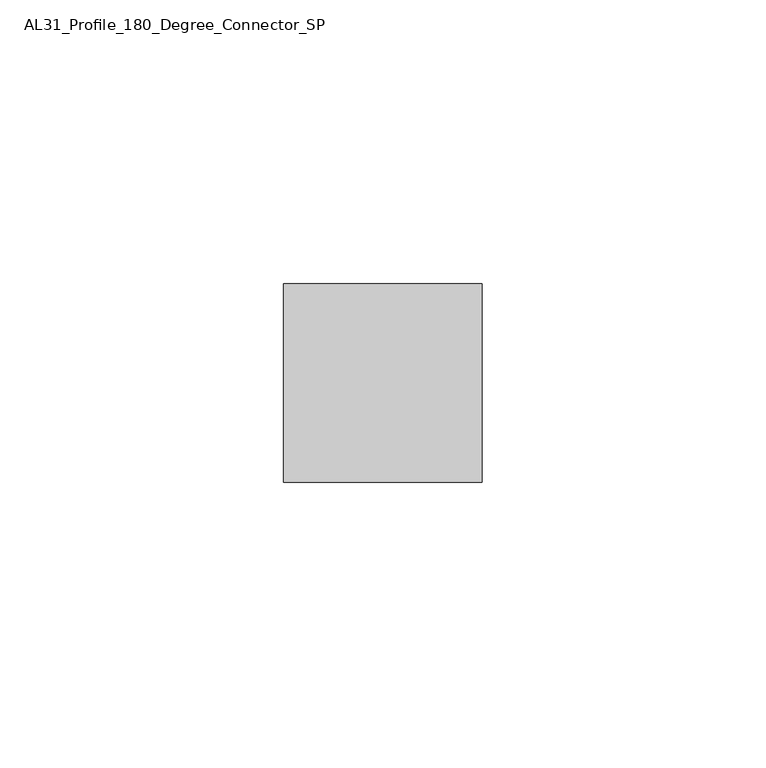
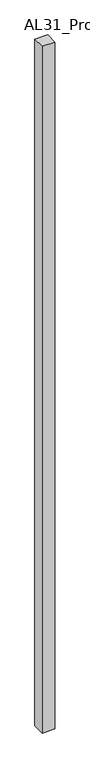
"""IFC4 building model written with IfcOpenShell, lengths in millimetres: member geometry, AL31_Profile_180_Degree_Connector_SP."""

from ifc_helpers import new_model, si_unit, frame, origin, place, context, project, spatial, polyline, outline, extrude, source, transform, mapped, element, save


def al31_profile_180_degree_connector_sp_ab3361bb(model_context):
    return source(origin(), model_context, "Body", "SweptSolid", [
        extrude(outline(polyline([(17.5, 17.509478), (17.5, -17.490522), (-17.5, -17.490522), (-17.5, 17.509478), (17.5, 17.509478)])), frame((0.0, 0.0, -2000.0), z_axis=(0.0, 0.0, 1.0), x_axis=(1.0, 0.0, 0.0)), (0.0, 0.0, 1.0), 2000.0),
    ])


if __name__ == "__main__":
    model = new_model("IFC4")
    model_context = context("Model", 3, world=origin())
    ifc_project = project(units=[si_unit("LENGTHUNIT", "METRE", prefix="MILLI")], contexts=[model_context])
    site = spatial("IfcSite", under=ifc_project)
    building = spatial("IfcBuilding", under=site)
    placement = place(None, origin())
    al31_profile_180_degree_connector_sp_shape = al31_profile_180_degree_connector_sp_ab3361bb(model_context)
    element("IfcMember", 1, ObjectType="AL31_Profile_180_Degree_Connector_SP", at=placement, inside=building, context=model_context, shape_type="MappedRepresentation", body=[
        mapped(al31_profile_180_degree_connector_sp_shape, transform((0.0, 0.0, 0.0), x_axis=(1.0, 0.0, 0.0), y_axis=(0.0, 1.0, 0.0), z_axis=(0.0, 0.0, 1.0))),
    ])
    save(model, "model.ifc")
